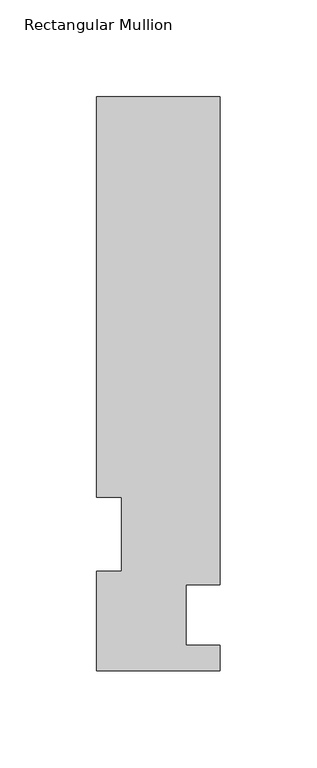
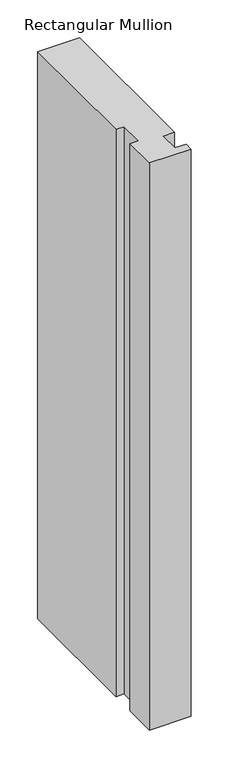
"""IFC4 building model written with IfcOpenShell, lengths in millimetres: member geometry, Rectangular Mullion."""

from ifc_helpers import new_model, si_unit, frame, origin, place, context, project, spatial, polyline, outline, extrude, source, transform, mapped, element, save


def rectangular_mullion_89c98250(model_context):
    return source(origin(), model_context, "Body", "SweptSolid", [
        extrude(outline(polyline([(31.75, 13.3945313), (31.75, 0.2119313), (-31.75, 0.2119313), (-31.75, 51.4945312), (-19.05, 51.4945312), (-19.05, 89.5945313), (-31.75, 89.5945313), (-31.75, 295.9695312), (31.7500001, 295.9695312), (31.7500001, 44.4587312), (14.2748001, 44.4587312), (14.2748001, 13.3945313), (31.75, 13.3945313)])), frame((0.0, 0.0, -914.4), z_axis=(0.0, 0.0, 1.0), x_axis=(1.0, 0.0, 0.0)), (0.0, 0.0, 1.0), 914.4),
    ])


if __name__ == "__main__":
    model = new_model("IFC4")
    model_context = context("Model", 3, world=origin())
    ifc_project = project(units=[si_unit("LENGTHUNIT", "METRE", prefix="MILLI")], contexts=[model_context])
    site = spatial("IfcSite", under=ifc_project)
    building = spatial("IfcBuilding", under=site)
    placement = place(None, origin())
    rectangular_mullion_shape = rectangular_mullion_89c98250(model_context)
    element("IfcMember", 1, ObjectType="Rectangular Mullion", at=placement, inside=building, context=model_context, shape_type="MappedRepresentation", body=[
        mapped(rectangular_mullion_shape, transform((0.0, 0.0, 0.0), x_axis=(1.0, 0.0, 0.0), y_axis=(0.0, 1.0, 0.0), z_axis=(0.0, 0.0, 1.0))),
    ])
    save(model, "model.ifc")
